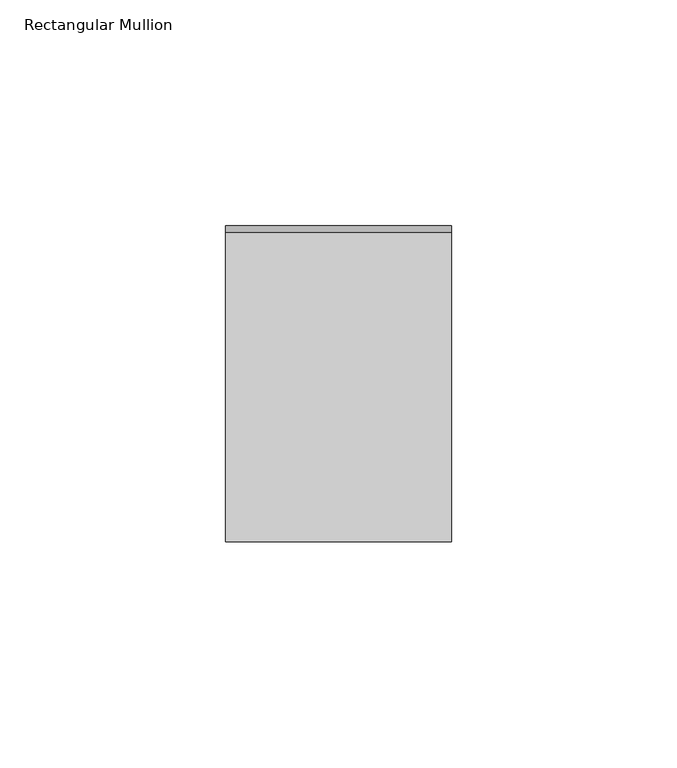
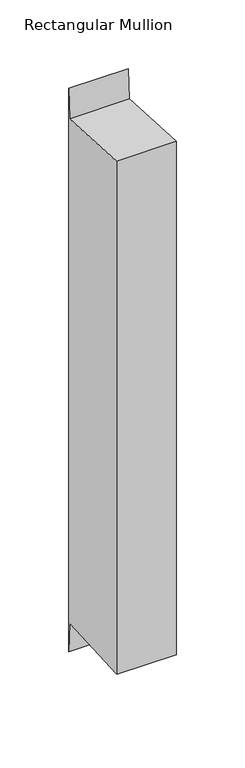
"""IFC4 building model written with IfcOpenShell, lengths in millimetres: member geometry, Rectangular Mullion."""

from ifc_helpers import new_model, si_unit, frame, origin, place, context, project, spatial, polyline, outline, extrude, source, transform, mapped, element, save


def rectangular_mullion_ea6f5238(model_context):
    return source(origin(), model_context, "Body", "SweptSolid", [
        extrude(outline(polyline([(-35.0, 1.917762), (33.5498891, -1.9147718), (35.0, 24.0223615), (35.0, -476.4159064), (33.5498891, -450.4787732), (-35.0, -454.311307), (-35.0, 1.917762)])), frame((-50.0, 0.0, 0.0), z_axis=(1.0, 0.0, 0.0), x_axis=(0.0, 1.0, 0.0)), (0.0, 0.0, 1.0), 50.0),
    ])


if __name__ == "__main__":
    model = new_model("IFC4")
    model_context = context("Model", 3, world=origin())
    ifc_project = project(units=[si_unit("LENGTHUNIT", "METRE", prefix="MILLI")], contexts=[model_context])
    site = spatial("IfcSite", under=ifc_project)
    building = spatial("IfcBuilding", under=site)
    placement = place(None, origin())
    rectangular_mullion_shape = rectangular_mullion_ea6f5238(model_context)
    element("IfcMember", 1, ObjectType="Rectangular Mullion", at=placement, inside=building, context=model_context, shape_type="MappedRepresentation", body=[
        mapped(rectangular_mullion_shape, transform((0.0, 0.0, 0.0), x_axis=(1.0, 0.0, 0.0), y_axis=(0.0, 1.0, 0.0), z_axis=(0.0, 0.0, 1.0))),
    ])
    save(model, "model.ifc")
